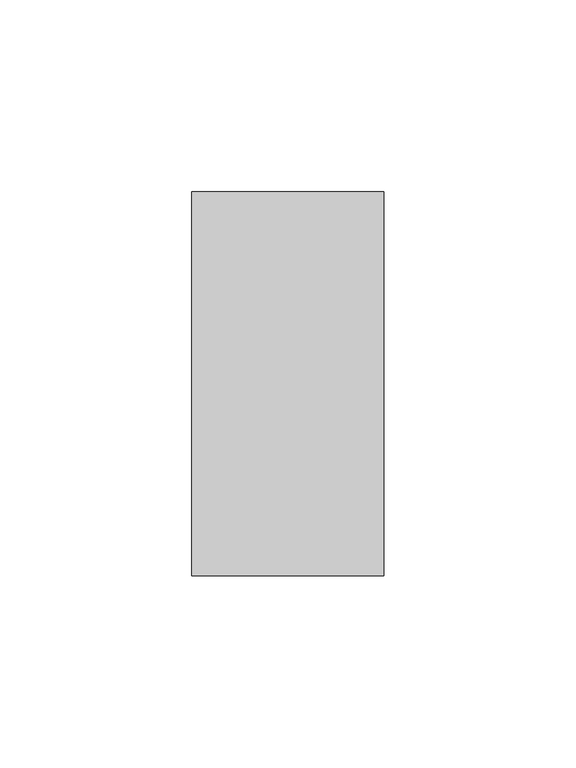
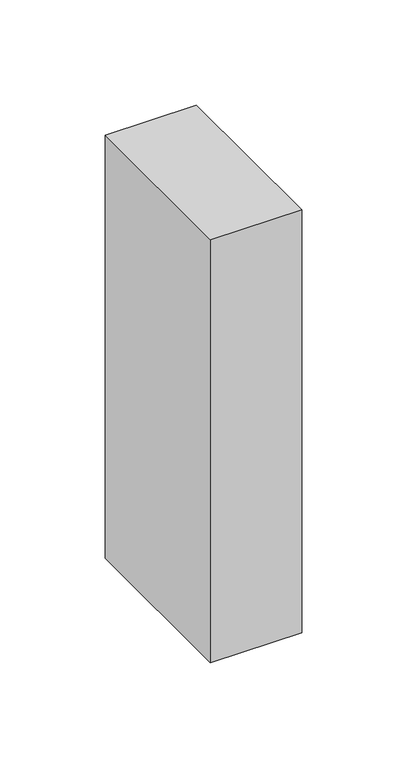
"""IFC4 building model written with IfcOpenShell, lengths in millimetres: member geometry."""

import ifcopenshell
import ifcopenshell.guid

model = None  # the IFC model being written
_history = None  # IfcOwnerHistory: only IFC2X3 demands one
_inside = {}  # id of a spatial element -> (the spatial element, [elements in it])
_under = {}  # id of a project, library or spatial element -> (it, [spatial elements below it])
_declared = {}  # id of a project -> (the project, [libraries it declares])
_typed = {}  # id of a type object -> (the type object, [elements of that type])
_made_of = {}  # id of a material, layer set ... -> (it, [elements and type objects made of it])


def new_model(schema):
    """Start an empty IFC model of exactly this schema.

    Asked for "IFC4X3", IfcOpenShell would pick the latest addendum, in which some entities
    have other attributes; the version numbers below select the first issue.
    IFC2X3 requires an IfcOwnerHistory on every rooted entity: one is made here for all.
    """
    global model, _history
    if schema == "IFC4X3":
        model = ifcopenshell.file(schema_version=(4, 3, 0, 0))
    else:
        model = ifcopenshell.file(schema=schema)
    _inside.clear()
    _under.clear()
    _declared.clear()
    _typed.clear()
    _made_of.clear()
    _history = None
    if model.schema == "IFC2X3":
        org = make("IfcOrganization", Name="unknown")
        user = make(
            "IfcPersonAndOrganization",
            ThePerson=make("IfcPerson", FamilyName="unknown"),
            TheOrganization=org,
        )
        app = make(
            "IfcApplication",
            ApplicationDeveloper=org,
            Version="unknown",
            ApplicationFullName="unknown",
            ApplicationIdentifier="unknown",
        )
        _history = make(
            "IfcOwnerHistory",
            OwningUser=user,
            OwningApplication=app,
            ChangeAction="ADDED",
            CreationDate=0,
        )
    return model


def make(cls, **values):
    """One entity of the class cls with the attributes given. An attribute that is None is left unset."""
    return model.create_entity(
        cls, **{name: value for name, value in values.items() if value is not None}
    )


def rooted(cls, **values):
    """An entity with a GlobalId (a new one), such as an element, a storey or a relation."""
    return make(cls, GlobalId=ifcopenshell.guid.new(), OwnerHistory=_history, **values)


def si_unit(unit_type, name, prefix=None):
    """IfcSIUnit, for example si_unit("LENGTHUNIT", "METRE", prefix="MILLI")."""
    return make("IfcSIUnit", UnitType=unit_type, Prefix=prefix, Name=name)


def assignment(units):
    """IfcUnitAssignment: the units of a project."""
    return None if units is None else make("IfcUnitAssignment", Units=units)


def point(xyz):
    """IfcCartesianPoint."""
    return None if xyz is None else make("IfcCartesianPoint", Coordinates=xyz)


def direction(xyz):
    """IfcDirection."""
    return None if xyz is None else make("IfcDirection", DirectionRatios=xyz)


def frame(location, z_axis=None, x_axis=None):
    """IfcAxis2Placement3D, a coordinate frame: its origin and axes. An axis left out is left unset."""
    return make(
        "IfcAxis2Placement3D",
        Location=point(location),
        Axis=direction(z_axis),
        RefDirection=direction(x_axis),
    )


def origin():
    """The frame at (0, 0, 0) with its axes left unset."""
    return frame((0.0, 0.0, 0.0))


def place(relative_to, where):
    """IfcLocalPlacement: puts the frame where relative to a parent placement (None: the world)."""
    return make(
        "IfcLocalPlacement", PlacementRelTo=relative_to, RelativePlacement=where
    )


def context(
    kind, dimensions, precision=None, world=None, true_north=None, identifier=None
):
    """IfcGeometricRepresentationContext, for example the 3D "Model" context."""
    return make(
        "IfcGeometricRepresentationContext",
        ContextIdentifier=identifier,
        ContextType=kind,
        CoordinateSpaceDimension=dimensions,
        Precision=precision,
        WorldCoordinateSystem=world,
        TrueNorth=true_north,
    )


def project(units=None, contexts=None):
    """IfcProject with its units and contexts."""
    return rooted(
        "IfcProject",
        Name="project",
        RepresentationContexts=contexts,
        UnitsInContext=assignment(units),
    )


def spatial(cls, under=None, at=None, **own):
    """A site, building, storey or space (cls), placed at a placement, below another one or the project."""
    s = rooted(cls, ObjectPlacement=at, **own)
    if under is not None:
        _under.setdefault(under.id(), (under, []))[1].append(s)
    return s


def polyline(points):
    """IfcPolyline through the points."""
    return make("IfcPolyline", Points=[point(p) for p in points])


def outline(outer, holes=None, kind="AREA"):
    """IfcArbitraryClosedProfileDef: a profile drawn as a closed curve; with holes, ...WithVoids."""
    if holes is None:
        return make("IfcArbitraryClosedProfileDef", ProfileType=kind, OuterCurve=outer)
    return make(
        "IfcArbitraryProfileDefWithVoids",
        ProfileType=kind,
        OuterCurve=outer,
        InnerCurves=holes,
    )


def extrude(swept, where, along, depth):
    """IfcExtrudedAreaSolid: the profile swept, set in the frame where, extruded along a direction by depth."""
    return make(
        "IfcExtrudedAreaSolid",
        SweptArea=swept,
        Position=where,
        ExtrudedDirection=direction(along),
        Depth=depth,
    )


def shape(context_of_items, identifier, shape_type, items):
    """IfcShapeRepresentation: the items that make up one representation, for example the "Body"."""
    return make(
        "IfcShapeRepresentation",
        ContextOfItems=context_of_items,
        RepresentationIdentifier=identifier,
        RepresentationType=shape_type,
        Items=items,
    )


def source(mapping_origin, context_of_items, identifier, shape_type, items):
    """IfcRepresentationMap: a shape defined once, which mapped items show again and again."""
    return make(
        "IfcRepresentationMap",
        MappingOrigin=mapping_origin,
        MappedRepresentation=shape(context_of_items, identifier, shape_type, items),
    )


def transform(
    local_origin,
    x_axis=None,
    y_axis=None,
    z_axis=None,
    scale=None,
    scale2=None,
    scale3=None,
    uniform=True,
):
    """IfcCartesianTransformationOperator3D, or its non-uniform kind. x_axis, y_axis, z_axis: its Axis1, 2, 3."""
    if uniform:
        return make(
            "IfcCartesianTransformationOperator3D",
            Axis1=direction(x_axis),
            Axis2=direction(y_axis),
            LocalOrigin=point(local_origin),
            Scale=scale,
            Axis3=direction(z_axis),
        )
    return make(
        "IfcCartesianTransformationOperator3DnonUniform",
        Axis1=direction(x_axis),
        Axis2=direction(y_axis),
        LocalOrigin=point(local_origin),
        Scale=scale,
        Axis3=direction(z_axis),
        Scale2=scale2,
        Scale3=scale3,
    )


def mapped(mapping_source, mapping_target):
    """IfcMappedItem: shows the shape of a source again, moved by a transform."""
    return make(
        "IfcMappedItem", MappingSource=mapping_source, MappingTarget=mapping_target
    )


def made_of(thing, what):
    """Note that an element or type object is made of a material, layer set ...; save() writes the relation."""
    if what is not None:
        _made_of.setdefault(what.id(), (what, []))[1].append(thing)
    return thing


def element(
    cls,
    number,
    at=None,
    inside=None,
    cuts=None,
    type_object=None,
    material=None,
    context=None,
    identifier="Body",
    shape_type=None,
    held_by="IfcProductDefinitionShape",
    body=None,
    shapes=None,
    **own,
):
    """One element of the class cls, such as IfcWall. Its Tag is "e" and its number.

    at: its placement. inside: the storey or other place that contains it. cuts: it is an
    opening in that element (IfcRelVoidsElement). A single representation is given by context,
    identifier, shape_type and body (its items); several are given by shapes. held_by: the class
    of the entity that holds the representations. save() writes the other relations.
    """
    e = rooted(cls, Tag="e%d" % number, ObjectPlacement=at, **own)
    if body is not None:
        shapes = [shape(context, identifier, shape_type, body)]
    if shapes is not None:
        e.Representation = make(held_by, Representations=shapes)
    if inside is not None:
        _inside.setdefault(inside.id(), (inside, []))[1].append(e)
    if cuts is not None:
        rooted(
            "IfcRelVoidsElement", RelatingBuildingElement=cuts, RelatedOpeningElement=e
        )
    if type_object is not None:
        _typed.setdefault(type_object.id(), (type_object, []))[1].append(e)
    return made_of(e, material)


def aggregate(whole, parts):
    """IfcRelAggregates: a whole, such as a stair, and the parts it consists of."""
    return rooted("IfcRelAggregates", RelatingObject=whole, RelatedObjects=parts)


def save(model, path):
    """Write the relations noted so far, then the file.

    IfcRelAggregates (storeys below a building ...), IfcRelContainedInSpatialStructure (elements
    in a storey), IfcRelDefinesByType, IfcRelAssociatesMaterial and IfcRelDeclares: one each for
    every whole, place, type object, material and project.
    """
    for whole, parts in _under.values():
        aggregate(whole, parts)
    for where, things in _inside.values():
        rooted(
            "IfcRelContainedInSpatialStructure",
            RelatedElements=things,
            RelatingStructure=where,
        )
    for kind, things in _typed.values():
        rooted("IfcRelDefinesByType", RelatedObjects=things, RelatingType=kind)
    for what, things in _made_of.values():
        rooted("IfcRelAssociatesMaterial", RelatedObjects=things, RelatingMaterial=what)
    for by, libraries in _declared.values():
        rooted("IfcRelDeclares", RelatingContext=by, RelatedDefinitions=libraries)
    model.write(path)


def member_5cffbc41(model_context):
    return source(origin(), model_context, "Body", "SweptSolid", [
        extrude(outline(polyline([(0.0, 50.0), (0.0, -50.0), (-50.0, -50.0), (-50.0, 50.0), (0.0, 50.0)])), frame((0.0, 0.0, -245.2028354), z_axis=(0.0, 0.0, 1.0), x_axis=(1.0, 0.0, 0.0)), (0.0, 0.0, 1.0), 245.2028354),
    ])


if __name__ == "__main__":
    model = new_model("IFC4")
    model_context = context("Model", 3, world=origin())
    ifc_project = project(units=[si_unit("LENGTHUNIT", "METRE", prefix="MILLI")], contexts=[model_context])
    site = spatial("IfcSite", under=ifc_project)
    building = spatial("IfcBuilding", under=site)
    placement = place(None, origin())
    member_shape = member_5cffbc41(model_context)
    element("IfcMember", 1, at=placement, inside=building, context=model_context, shape_type="MappedRepresentation", body=[
        mapped(member_shape, transform((0.0, 0.0, 0.0), x_axis=(1.0, 0.0, 0.0), y_axis=(0.0, 1.0, 0.0), z_axis=(0.0, 0.0, 1.0))),
    ])
    save(model, "model.ifc")
